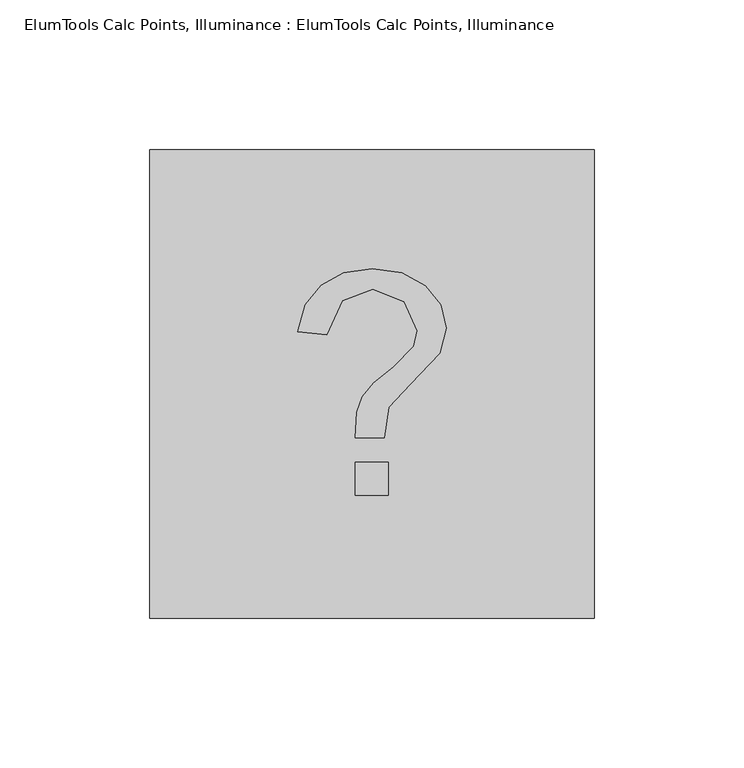
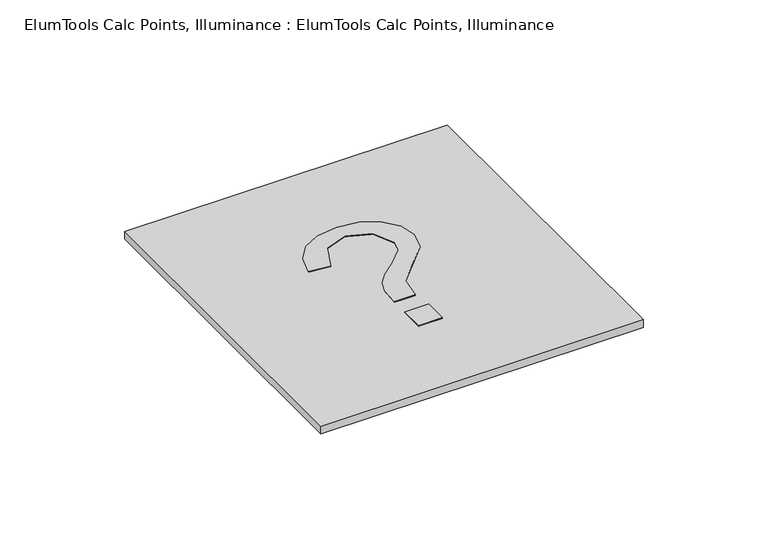
"""IFC4 building model written with IfcOpenShell, lengths in millimetres: proxy geometry, ElumTools Calc Points, Illuminance : ElumTools Calc Points, Illuminance."""

from ifc_helpers import new_model, si_unit, origin, origin_with_axes, place, context, project, spatial, polyline, outline, extrude, source, transform, mapped, element, save


def elumtools_calc_points_illuminance_elumtools_calc_points_1ca19512(model_context):
    return source(origin(), model_context, "Body", "SweptSolid", [
        extrude(outline(polyline([(5.5094293, -37.188648), (-5.5094293, -37.188648), (-5.5094293, -26.1697893), (5.5094293, -26.1697893), (5.5094293, -37.188648)])), origin_with_axes(), (0.0, 0.0, 1.0), 3.81),
        extrude(outline(polyline([(-24.792432, 17.5182636), (-22.2367885, 26.4441847), (-16.9802334, 33.0780972), (-9.404768, 37.1940283), (0.107606, 38.5660053), (9.9454884, 37.1482957), (17.8518423, 32.8951669), (23.0572846, 26.4952976), (24.792432, 18.6373664), (22.7156354, 10.3086588), (12.8481614, -0.0215212), (5.573993, -7.7045926), (4.132072, -17.9056453), (-5.5094293, -17.9056453), (-5.0467234, -9.4478105), (-3.1636176, -4.2289174), (0.6133544, 0.4734666), (7.231126, 5.8322475), (13.9134612, 12.5791463), (15.1509307, 17.8410817), (10.792886, 27.5148649), (0.1936909, 31.6792187), (-10.0019816, 27.891486), (-15.1509307, 16.528288), (-24.792432, 17.5182636)])), origin_with_axes(), (0.0, 0.0, 1.0), 3.81),
        extrude(outline(polyline([(-74.377296, -78.4098), (-74.377296, 78.4098), (74.377296, 78.4098), (74.377296, -78.4098), (-74.377296, -78.4098)])), origin_with_axes(), (0.0, 0.0, 1.0), 3.6957),
    ])


if __name__ == "__main__":
    model = new_model("IFC4")
    model_context = context("Model", 3, world=origin())
    ifc_project = project(units=[si_unit("LENGTHUNIT", "METRE", prefix="MILLI")], contexts=[model_context])
    site = spatial("IfcSite", under=ifc_project)
    building = spatial("IfcBuilding", under=site)
    placement = place(None, origin())
    elumtools_calc_points_illuminance_elumtools_calc_points_shape = elumtools_calc_points_illuminance_elumtools_calc_points_1ca19512(model_context)
    element("IfcBuildingElementProxy", 1, Name="ElumTools Calc Points, Illuminance : ElumTools Calc Points, Illuminance", ObjectType="ElumTools Calc Points, Illuminance : ElumTools Calc Points, Illuminance", at=placement, inside=building, context=model_context, shape_type="MappedRepresentation", body=[
        mapped(elumtools_calc_points_illuminance_elumtools_calc_points_shape, transform((0.0, 0.0, 0.0), x_axis=(1.0, 0.0, 0.0), y_axis=(0.0, 1.0, 0.0), z_axis=(0.0, 0.0, 1.0))),
    ])
    save(model, "model.ifc")
